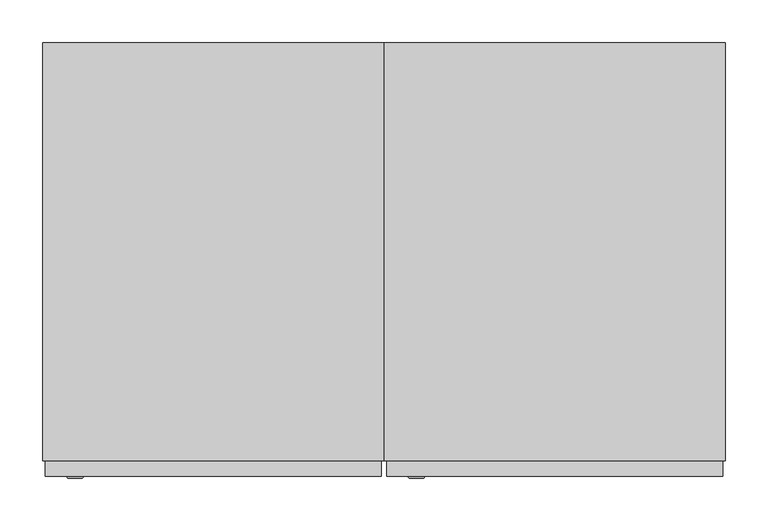
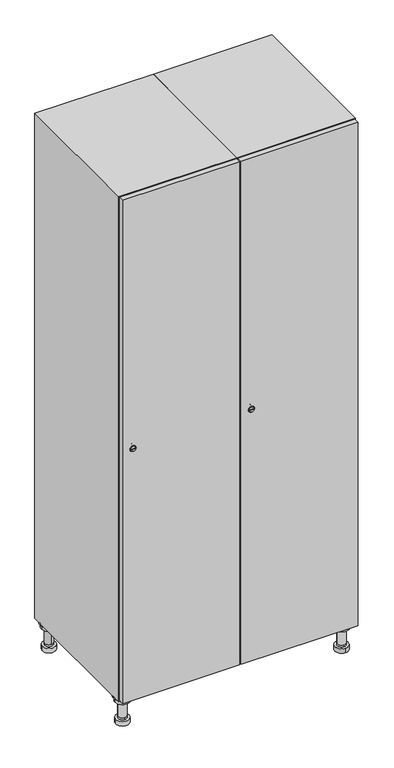
"""IFC4 building model written with IfcOpenShell, lengths in millimetres: furniture geometry."""

from ifc_helpers import new_model, si_unit, point, frame, frame_2d, origin, place, context, project, spatial, polyline, circle_curve, trimmed, segment, composite_curve, outline, extrude, faceted_brep, source, transform, mapped, element, save
from ifc_brep_helpers import plane_surface, cylinder_surface, revolved_surface, advanced_brep


def furniture_8050d8f6(model_context):
    return source(origin(), model_context, "Body", "SolidModel", [
        advanced_brep(
        [(570.0, -201.0, 22.0), (570.0, -201.5, 16.0), (570.0, -228.5, 16.0), (570.0, -229.0, 22.0), (556.0, -215.0, 22.0), (584.0, -215.0, 22.0), (570.0, -192.5, 16.0), (570.0, -237.5, 16.0), (570.0, -192.5, 0.0), (570.0, -237.5, 0.0), (584.0, -215.0, 78.0), (556.0, -215.0, 78.0), (595.0, -215.0, 78.0), (545.0, -215.0, 78.0), (600.0, -215.0, 94.0), (540.0, -215.0, 94.0), (545.0, -215.0, 94.0), (595.0, -215.0, 94.0), (600.0, -215.0, 100.0), (540.0, -215.0, 100.0)],
        [
            (0, 1),
            (1, 2, circle_curve(frame((570.0, -215.0, 16.0), z_axis=(0.0, 0.0, 1.0), x_axis=(0.0, -1.0, 0.0)), 13.5)),
            (2, 3),
            (3, 4, circle_curve(frame((570.0, -215.0, 22.0), z_axis=(0.0, 0.0, -1.0), x_axis=(0.0, -1.0, 0.0)), 14.0)),
            (4, 0, circle_curve(frame((570.0, -215.0, 22.0), z_axis=(0.0, 0.0, -1.0), x_axis=(0.0, -1.0, 0.0)), 14.0)),
            (0, 5, circle_curve(frame((570.0, -215.0, 22.0), z_axis=(0.0, 0.0, -1.0), x_axis=(0.0, 1.0, 0.0)), 14.0)),
            (5, 3, circle_curve(frame((570.0, -215.0, 22.0), z_axis=(0.0, 0.0, -1.0), x_axis=(0.0, 1.0, 0.0)), 14.0)),
            (2, 1, circle_curve(frame((570.0, -215.0, 16.0), z_axis=(0.0, 0.0, 1.0), x_axis=(0.0, 1.0, 0.0)), 13.5)),
            (6, 7, circle_curve(frame((570.0, -215.0, 16.0), z_axis=(0.0, 0.0, 1.0), x_axis=(0.0, -1.0, 0.0)), 22.5)),
            (7, 6, circle_curve(frame((570.0, -215.0, 16.0), z_axis=(0.0, 0.0, 1.0), x_axis=(0.0, -1.0, 0.0)), 22.5)),
            (8, 9, circle_curve(frame((570.0, -215.0, 0.0), z_axis=(0.0, 0.0, -1.0), x_axis=(0.0, -1.0, 0.0)), 22.5)),
            (9, 8, circle_curve(frame((570.0, -215.0, 0.0), z_axis=(0.0, 0.0, -1.0), x_axis=(0.0, -1.0, 0.0)), 22.5)),
            (6, 8),
            (9, 7),
            (5, 10),
            (10, 11, circle_curve(frame((570.0, -215.0, 78.0), z_axis=(0.0, 0.0, -1.0), x_axis=(-1.0, 0.0, 0.0)), 14.0)),
            (11, 4),
            (11, 10, circle_curve(frame((570.0, -215.0, 78.0), z_axis=(0.0, 0.0, -1.0), x_axis=(-1.0, 0.0, 0.0)), 14.0)),
            (12, 13, circle_curve(frame((570.0, -215.0, 78.0), z_axis=(0.0, 0.0, -1.0), x_axis=(-1.0, 0.0, 0.0)), 25.0)),
            (13, 12, circle_curve(frame((570.0, -215.0, 78.0), z_axis=(0.0, 0.0, -1.0), x_axis=(-1.0, 0.0, 0.0)), 25.0)),
            (14, 15, circle_curve(frame((570.0, -215.0, 94.0), z_axis=(0.0, 0.0, -1.0), x_axis=(-1.0, 0.0, 0.0)), 30.0)),
            (15, 14, circle_curve(frame((570.0, -215.0, 94.0), z_axis=(0.0, 0.0, -1.0), x_axis=(-1.0, 0.0, 0.0)), 30.0)),
            (16, 17, circle_curve(frame((570.0, -215.0, 94.0), z_axis=(0.0, 0.0, 1.0), x_axis=(-1.0, 0.0, 0.0)), 25.0)),
            (17, 16, circle_curve(frame((570.0, -215.0, 94.0), z_axis=(0.0, 0.0, 1.0), x_axis=(-1.0, 0.0, 0.0)), 25.0)),
            (18, 19, circle_curve(frame((570.0, -215.0, 100.0), z_axis=(0.0, 0.0, 1.0), x_axis=(-1.0, 0.0, 0.0)), 30.0)),
            (19, 18, circle_curve(frame((570.0, -215.0, 100.0), z_axis=(0.0, 0.0, 1.0), x_axis=(-1.0, 0.0, 0.0)), 30.0)),
            (14, 18),
            (19, 15),
            (12, 17),
            (16, 13),
        ],
        [
            revolved_surface(polyline([(570.0, -201.5, 16.0), (570.0, -201.0, 22.0)]), (570.0, -215.0, -146.0), (0.0, 0.0, 1.0)),
            plane_surface(frame((570.0, 0.0, 16.0), z_axis=(0.0, 0.0, 1.0), x_axis=(0.0, -1.0, 0.0))),
            plane_surface(frame((570.0, 0.0, 0.0), z_axis=(0.0, 0.0, -1.0), x_axis=(0.0, -1.0, 0.0))),
            cylinder_surface(frame((570.0, -215.0, 16.0), z_axis=(0.0, 0.0, 1.0), x_axis=(0.0, -1.0, 0.0)), 22.5),
            cylinder_surface(frame((570.0, -215.0, 22.0), z_axis=(0.0, 0.0, -1.0), x_axis=(-1.0, 0.0, 0.0)), 14.0),
            plane_surface(frame((570.0, 0.0, 78.0), z_axis=(0.0, 0.0, -1.0), x_axis=(0.0, -1.0, 0.0))),
            plane_surface(frame((570.0, 0.0, 94.0), z_axis=(0.0, 0.0, -1.0), x_axis=(0.0, -1.0, 0.0))),
            plane_surface(frame((570.0, 0.0, 100.0), z_axis=(0.0, 0.0, 1.0), x_axis=(0.0, -1.0, 0.0))),
            cylinder_surface(frame((570.0, -215.0, 94.0), z_axis=(0.0, 0.0, -1.0), x_axis=(-1.0, 0.0, 0.0)), 30.0),
            cylinder_surface(frame((570.0, -215.0, 78.0), z_axis=(0.0, 0.0, -1.0), x_axis=(-1.0, 0.0, 0.0)), 25.0),
        ],
        [
            (0, [[1, 2, 3, 4, 5]]),
            (0, [[-1, 6, 7, -3, 8]]),
            (1, [[9, 10], [-2, -8]]),
            (2, [[11, 12]]),
            (3, [[-9, 13, -12, 14]]),
            (3, [[-10, -14, -11, -13]]),
            (4, [[15, 16, 17, -4, -7]]),
            (4, [[-15, -6, -5, -17, 18]]),
            (5, [[19, 20], [-16, -18]]),
            (6, [[21, 22], [23, 24]]),
            (7, [[25, 26]]),
            (8, [[-21, 27, -26, 28]]),
            (8, [[-22, -28, -25, -27]]),
            (9, [[-19, 29, -23, 30]]),
            (9, [[-20, -30, -24, -29]]),
        ],
    ),
        advanced_brep(
        [(-170.0, -201.0, 22.0), (-170.0, -201.5, 16.0), (-170.0, -228.5, 16.0), (-170.0, -229.0, 22.0), (-184.0, -215.0, 22.0), (-156.0, -215.0, 22.0), (-147.5, -215.0, 0.0), (-192.5, -215.0, 0.0), (-147.5, -215.0, 16.0), (-192.5, -215.0, 16.0), (-156.0, -215.0, 78.0), (-184.0, -215.0, 78.0), (-145.0, -215.0, 78.0), (-195.0, -215.0, 78.0), (-140.0, -215.0, 94.0), (-200.0, -215.0, 94.0), (-195.0, -215.0, 94.0), (-145.0, -215.0, 94.0), (-140.0, -215.0, 100.0), (-200.0, -215.0, 100.0)],
        [
            (0, 1),
            (1, 2, circle_curve(frame((-170.0, -215.0, 16.0), z_axis=(0.0, 0.0, 1.0), x_axis=(0.0, -1.0, 0.0)), 13.5)),
            (2, 3),
            (3, 4, circle_curve(frame((-170.0, -215.0, 22.0), z_axis=(0.0, 0.0, -1.0), x_axis=(0.0, -1.0, 0.0)), 14.0)),
            (4, 0, circle_curve(frame((-170.0, -215.0, 22.0), z_axis=(0.0, 0.0, -1.0), x_axis=(0.0, -1.0, 0.0)), 14.0)),
            (0, 5, circle_curve(frame((-170.0, -215.0, 22.0), z_axis=(0.0, 0.0, -1.0), x_axis=(0.0, 1.0, 0.0)), 14.0)),
            (5, 3, circle_curve(frame((-170.0, -215.0, 22.0), z_axis=(0.0, 0.0, -1.0), x_axis=(0.0, 1.0, 0.0)), 14.0)),
            (2, 1, circle_curve(frame((-170.0, -215.0, 16.0), z_axis=(0.0, 0.0, 1.0), x_axis=(0.0, 1.0, 0.0)), 13.5)),
            (6, 7, circle_curve(frame((-170.0, -215.0, 0.0), z_axis=(0.0, 0.0, -1.0), x_axis=(-1.0, 0.0, 0.0)), 22.5)),
            (7, 6, circle_curve(frame((-170.0, -215.0, 0.0), z_axis=(0.0, 0.0, -1.0), x_axis=(-1.0, 0.0, 0.0)), 22.5)),
            (8, 9, circle_curve(frame((-170.0, -215.0, 16.0), z_axis=(0.0, 0.0, 1.0), x_axis=(-1.0, 0.0, 0.0)), 22.5)),
            (9, 8, circle_curve(frame((-170.0, -215.0, 16.0), z_axis=(0.0, 0.0, 1.0), x_axis=(-1.0, 0.0, 0.0)), 22.5)),
            (6, 8),
            (9, 7),
            (5, 10),
            (10, 11, circle_curve(frame((-170.0, -215.0, 78.0), z_axis=(0.0, 0.0, -1.0), x_axis=(-1.0, 0.0, 0.0)), 14.0)),
            (11, 4),
            (11, 10, circle_curve(frame((-170.0, -215.0, 78.0), z_axis=(0.0, 0.0, -1.0), x_axis=(-1.0, 0.0, 0.0)), 14.0)),
            (12, 13, circle_curve(frame((-170.0, -215.0, 78.0), z_axis=(0.0, 0.0, -1.0), x_axis=(-1.0, 0.0, 0.0)), 25.0)),
            (13, 12, circle_curve(frame((-170.0, -215.0, 78.0), z_axis=(0.0, 0.0, -1.0), x_axis=(-1.0, 0.0, 0.0)), 25.0)),
            (14, 15, circle_curve(frame((-170.0, -215.0, 94.0), z_axis=(0.0, 0.0, -1.0), x_axis=(-1.0, 0.0, 0.0)), 30.0)),
            (15, 14, circle_curve(frame((-170.0, -215.0, 94.0), z_axis=(0.0, 0.0, -1.0), x_axis=(-1.0, 0.0, 0.0)), 30.0)),
            (16, 17, circle_curve(frame((-170.0, -215.0, 94.0), z_axis=(0.0, 0.0, 1.0), x_axis=(-1.0, 0.0, 0.0)), 25.0)),
            (17, 16, circle_curve(frame((-170.0, -215.0, 94.0), z_axis=(0.0, 0.0, 1.0), x_axis=(-1.0, 0.0, 0.0)), 25.0)),
            (18, 19, circle_curve(frame((-170.0, -215.0, 100.0), z_axis=(0.0, 0.0, 1.0), x_axis=(-1.0, 0.0, 0.0)), 30.0)),
            (19, 18, circle_curve(frame((-170.0, -215.0, 100.0), z_axis=(0.0, 0.0, 1.0), x_axis=(-1.0, 0.0, 0.0)), 30.0)),
            (14, 18),
            (19, 15),
            (12, 17),
            (16, 13),
        ],
        [
            revolved_surface(polyline([(-170.0, -201.5, 16.0), (-170.0, -201.0, 22.0)]), (-170.0, -215.0, -146.0), (0.0, 0.0, 1.0)),
            plane_surface(frame((-170.0, 0.0, 0.0), z_axis=(0.0, 0.0, -1.0), x_axis=(0.0, -1.0, 0.0))),
            plane_surface(frame((-170.0, 0.0, 16.0), z_axis=(0.0, 0.0, 1.0), x_axis=(0.0, -1.0, 0.0))),
            cylinder_surface(frame((-170.0, -215.0, 0.0), z_axis=(0.0, 0.0, -1.0), x_axis=(-1.0, 0.0, 0.0)), 22.5),
            cylinder_surface(frame((-170.0, -215.0, 22.0), z_axis=(0.0, 0.0, -1.0), x_axis=(-1.0, 0.0, 0.0)), 14.0),
            plane_surface(frame((-170.0, 0.0, 78.0), z_axis=(0.0, 0.0, -1.0), x_axis=(0.0, -1.0, 0.0))),
            plane_surface(frame((-170.0, 0.0, 94.0), z_axis=(0.0, 0.0, -1.0), x_axis=(0.0, -1.0, 0.0))),
            plane_surface(frame((-170.0, 0.0, 100.0), z_axis=(0.0, 0.0, 1.0), x_axis=(0.0, -1.0, 0.0))),
            cylinder_surface(frame((-170.0, -215.0, 94.0), z_axis=(0.0, 0.0, -1.0), x_axis=(-1.0, 0.0, 0.0)), 30.0),
            cylinder_surface(frame((-170.0, -215.0, 78.0), z_axis=(0.0, 0.0, -1.0), x_axis=(-1.0, 0.0, 0.0)), 25.0),
        ],
        [
            (0, [[1, 2, 3, 4, 5]]),
            (0, [[-1, 6, 7, -3, 8]]),
            (1, [[9, 10]]),
            (2, [[11, 12], [-2, -8]]),
            (3, [[-9, 13, -12, 14]]),
            (3, [[-10, -14, -11, -13]]),
            (4, [[15, 16, 17, -4, -7]]),
            (4, [[-15, -6, -5, -17, 18]]),
            (5, [[19, 20], [-16, -18]]),
            (6, [[21, 22], [23, 24]]),
            (7, [[25, 26]]),
            (8, [[-21, 27, -26, 28]]),
            (8, [[-22, -28, -25, -27]]),
            (9, [[-19, 29, -23, 30]]),
            (9, [[-20, -30, -24, -29]]),
        ],
    ),
        advanced_brep(
        [(583.5, 215.0, 16.0), (584.0, 215.0, 22.0), (556.0, 215.0, 22.0), (556.5, 215.0, 16.0), (592.5, 215.0, 0.0), (547.5, 215.0, 0.0), (592.5, 215.0, 16.0), (547.5, 215.0, 16.0), (584.0, 215.0, 78.0), (556.0, 215.0, 78.0), (595.0, 215.0, 78.0), (545.0, 215.0, 78.0), (600.0, 215.0, 94.0), (540.0, 215.0, 94.0), (545.0, 215.0, 94.0), (595.0, 215.0, 94.0), (600.0, 215.0, 100.0), (540.0, 215.0, 100.0)],
        [
            (0, 1),
            (1, 2, circle_curve(frame((570.0, 215.0, 22.0), z_axis=(0.0, 0.0, -1.0), x_axis=(-1.0, 0.0, 0.0)), 14.0)),
            (2, 3),
            (3, 0, circle_curve(frame((570.0, 215.0, 16.0), z_axis=(0.0, 0.0, 1.0), x_axis=(-1.0, 0.0, 0.0)), 13.5)),
            (0, 3, circle_curve(frame((570.0, 215.0, 16.0), z_axis=(0.0, 0.0, 1.0), x_axis=(1.0, 0.0, 0.0)), 13.5)),
            (2, 1, circle_curve(frame((570.0, 215.0, 22.0), z_axis=(0.0, 0.0, -1.0), x_axis=(1.0, 0.0, 0.0)), 14.0)),
            (4, 5, circle_curve(frame((570.0, 215.0, 0.0), z_axis=(0.0, 0.0, -1.0), x_axis=(-1.0, 0.0, 0.0)), 22.5)),
            (5, 4, circle_curve(frame((570.0, 215.0, 0.0), z_axis=(0.0, 0.0, -1.0), x_axis=(-1.0, 0.0, 0.0)), 22.5)),
            (6, 7, circle_curve(frame((570.0, 215.0, 16.0), z_axis=(0.0, 0.0, 1.0), x_axis=(-1.0, 0.0, 0.0)), 22.5)),
            (7, 6, circle_curve(frame((570.0, 215.0, 16.0), z_axis=(0.0, 0.0, 1.0), x_axis=(-1.0, 0.0, 0.0)), 22.5)),
            (4, 6),
            (7, 5),
            (1, 8),
            (8, 9, circle_curve(frame((570.0, 215.0, 78.0), z_axis=(0.0, 0.0, -1.0), x_axis=(-1.0, 0.0, 0.0)), 14.0)),
            (9, 2),
            (9, 8, circle_curve(frame((570.0, 215.0, 78.0), z_axis=(0.0, 0.0, -1.0), x_axis=(-1.0, 0.0, 0.0)), 14.0)),
            (10, 11, circle_curve(frame((570.0, 215.0, 78.0), z_axis=(0.0, 0.0, -1.0), x_axis=(-1.0, 0.0, 0.0)), 25.0)),
            (11, 10, circle_curve(frame((570.0, 215.0, 78.0), z_axis=(0.0, 0.0, -1.0), x_axis=(-1.0, 0.0, 0.0)), 25.0)),
            (12, 13, circle_curve(frame((570.0, 215.0, 94.0), z_axis=(0.0, 0.0, -1.0), x_axis=(-1.0, 0.0, 0.0)), 30.0)),
            (13, 12, circle_curve(frame((570.0, 215.0, 94.0), z_axis=(0.0, 0.0, -1.0), x_axis=(-1.0, 0.0, 0.0)), 30.0)),
            (14, 15, circle_curve(frame((570.0, 215.0, 94.0), z_axis=(0.0, 0.0, 1.0), x_axis=(-1.0, 0.0, 0.0)), 25.0)),
            (15, 14, circle_curve(frame((570.0, 215.0, 94.0), z_axis=(0.0, 0.0, 1.0), x_axis=(-1.0, 0.0, 0.0)), 25.0)),
            (16, 17, circle_curve(frame((570.0, 215.0, 100.0), z_axis=(0.0, 0.0, 1.0), x_axis=(-1.0, 0.0, 0.0)), 30.0)),
            (17, 16, circle_curve(frame((570.0, 215.0, 100.0), z_axis=(0.0, 0.0, 1.0), x_axis=(-1.0, 0.0, 0.0)), 30.0)),
            (12, 16),
            (17, 13),
            (10, 15),
            (14, 11),
        ],
        [
            revolved_surface(polyline([(583.5, 215.0, 16.0), (584.0, 215.0, 22.0)]), (570.0, 215.0, -146.0), (0.0, 0.0, 1.0)),
            plane_surface(frame((570.0, 0.0, 0.0), z_axis=(0.0, 0.0, -1.0), x_axis=(0.0, -1.0, 0.0))),
            plane_surface(frame((570.0, 0.0, 16.0), z_axis=(0.0, 0.0, 1.0), x_axis=(0.0, -1.0, 0.0))),
            cylinder_surface(frame((570.0, 215.0, 0.0), z_axis=(0.0, 0.0, -1.0), x_axis=(-1.0, 0.0, 0.0)), 22.5),
            cylinder_surface(frame((570.0, 215.0, 22.0), z_axis=(0.0, 0.0, -1.0), x_axis=(-1.0, 0.0, 0.0)), 14.0),
            plane_surface(frame((570.0, 0.0, 78.0), z_axis=(0.0, 0.0, -1.0), x_axis=(0.0, -1.0, 0.0))),
            plane_surface(frame((570.0, 0.0, 94.0), z_axis=(0.0, 0.0, -1.0), x_axis=(0.0, -1.0, 0.0))),
            plane_surface(frame((570.0, 0.0, 100.0), z_axis=(0.0, 0.0, 1.0), x_axis=(0.0, -1.0, 0.0))),
            cylinder_surface(frame((570.0, 215.0, 94.0), z_axis=(0.0, 0.0, -1.0), x_axis=(-1.0, 0.0, 0.0)), 30.0),
            cylinder_surface(frame((570.0, 215.0, 78.0), z_axis=(0.0, 0.0, -1.0), x_axis=(-1.0, 0.0, 0.0)), 25.0),
        ],
        [
            (0, [[1, 2, 3, 4]]),
            (0, [[-1, 5, -3, 6]]),
            (1, [[7, 8]]),
            (2, [[9, 10], [-4, -5]]),
            (3, [[-7, 11, -10, 12]]),
            (3, [[-8, -12, -9, -11]]),
            (4, [[13, 14, 15, -2]]),
            (4, [[-13, -6, -15, 16]]),
            (5, [[17, 18], [-14, -16]]),
            (6, [[19, 20], [21, 22]]),
            (7, [[23, 24]]),
            (8, [[-19, 25, -24, 26]]),
            (8, [[-20, -26, -23, -25]]),
            (9, [[-17, 27, -21, 28]]),
            (9, [[-18, -28, -22, -27]]),
        ],
    ),
        advanced_brep(
        [(-156.5, 215.0, 16.0), (-156.0, 215.0, 22.0), (-170.0, 201.0, 22.0), (-184.0, 215.0, 22.0), (-183.5, 215.0, 16.0), (-170.0, 229.0, 22.0), (-147.5, 215.0, 0.0), (-192.5, 215.0, 0.0), (-147.5, 215.0, 16.0), (-192.5, 215.0, 16.0), (-170.0, 229.0, 78.0), (-170.0, 201.0, 78.0), (-145.0, 215.0, 78.0), (-195.0, 215.0, 78.0), (-140.0, 215.0, 94.0), (-200.0, 215.0, 94.0), (-195.0, 215.0, 94.0), (-145.0, 215.0, 94.0), (-140.0, 215.0, 100.0), (-200.0, 215.0, 100.0)],
        [
            (0, 1),
            (1, 2, circle_curve(frame((-170.0, 215.0, 22.0), z_axis=(0.0, 0.0, -1.0), x_axis=(-1.0, 0.0, 0.0)), 14.0)),
            (2, 3, circle_curve(frame((-170.0, 215.0, 22.0), z_axis=(0.0, 0.0, -1.0), x_axis=(-1.0, 0.0, 0.0)), 14.0)),
            (3, 4),
            (4, 0, circle_curve(frame((-170.0, 215.0, 16.0), z_axis=(0.0, 0.0, 1.0), x_axis=(-1.0, 0.0, 0.0)), 13.5)),
            (0, 4, circle_curve(frame((-170.0, 215.0, 16.0), z_axis=(0.0, 0.0, 1.0), x_axis=(1.0, 0.0, 0.0)), 13.5)),
            (3, 5, circle_curve(frame((-170.0, 215.0, 22.0), z_axis=(0.0, 0.0, -1.0), x_axis=(1.0, 0.0, 0.0)), 14.0)),
            (5, 1, circle_curve(frame((-170.0, 215.0, 22.0), z_axis=(0.0, 0.0, -1.0), x_axis=(1.0, 0.0, 0.0)), 14.0)),
            (6, 7, circle_curve(frame((-170.0, 215.0, 0.0), z_axis=(0.0, 0.0, -1.0), x_axis=(-1.0, 0.0, 0.0)), 22.5)),
            (7, 6, circle_curve(frame((-170.0, 215.0, 0.0), z_axis=(0.0, 0.0, -1.0), x_axis=(-1.0, 0.0, 0.0)), 22.5)),
            (8, 9, circle_curve(frame((-170.0, 215.0, 16.0), z_axis=(0.0, 0.0, 1.0), x_axis=(-1.0, 0.0, 0.0)), 22.5)),
            (9, 8, circle_curve(frame((-170.0, 215.0, 16.0), z_axis=(0.0, 0.0, 1.0), x_axis=(-1.0, 0.0, 0.0)), 22.5)),
            (6, 8),
            (9, 7),
            (10, 5),
            (2, 11),
            (11, 10, circle_curve(frame((-170.0, 215.0, 78.0), z_axis=(0.0, 0.0, -1.0), x_axis=(0.0, -1.0, 0.0)), 14.0)),
            (10, 11, circle_curve(frame((-170.0, 215.0, 78.0), z_axis=(0.0, 0.0, -1.0), x_axis=(0.0, -1.0, 0.0)), 14.0)),
            (12, 13, circle_curve(frame((-170.0, 215.0, 78.0), z_axis=(0.0, 0.0, -1.0), x_axis=(-1.0, 0.0, 0.0)), 25.0)),
            (13, 12, circle_curve(frame((-170.0, 215.0, 78.0), z_axis=(0.0, 0.0, -1.0), x_axis=(-1.0, 0.0, 0.0)), 25.0)),
            (14, 15, circle_curve(frame((-170.0, 215.0, 94.0), z_axis=(0.0, 0.0, -1.0), x_axis=(-1.0, 0.0, 0.0)), 30.0)),
            (15, 14, circle_curve(frame((-170.0, 215.0, 94.0), z_axis=(0.0, 0.0, -1.0), x_axis=(-1.0, 0.0, 0.0)), 30.0)),
            (16, 17, circle_curve(frame((-170.0, 215.0, 94.0), z_axis=(0.0, 0.0, 1.0), x_axis=(-1.0, 0.0, 0.0)), 25.0)),
            (17, 16, circle_curve(frame((-170.0, 215.0, 94.0), z_axis=(0.0, 0.0, 1.0), x_axis=(-1.0, 0.0, 0.0)), 25.0)),
            (18, 19, circle_curve(frame((-170.0, 215.0, 100.0), z_axis=(0.0, 0.0, 1.0), x_axis=(-1.0, 0.0, 0.0)), 30.0)),
            (19, 18, circle_curve(frame((-170.0, 215.0, 100.0), z_axis=(0.0, 0.0, 1.0), x_axis=(-1.0, 0.0, 0.0)), 30.0)),
            (14, 18),
            (19, 15),
            (12, 17),
            (16, 13),
        ],
        [
            revolved_surface(polyline([(-156.5, 215.0, 16.0), (-156.0, 215.0, 22.0)]), (-170.0, 215.0, -146.0), (0.0, 0.0, 1.0)),
            plane_surface(frame((-170.0, 0.0, 0.0), z_axis=(0.0, 0.0, -1.0), x_axis=(0.0, -1.0, 0.0))),
            plane_surface(frame((-170.0, 0.0, 16.0), z_axis=(0.0, 0.0, 1.0), x_axis=(0.0, -1.0, 0.0))),
            cylinder_surface(frame((-170.0, 215.0, 0.0), z_axis=(0.0, 0.0, -1.0), x_axis=(-1.0, 0.0, 0.0)), 22.5),
            cylinder_surface(frame((-170.0, 215.0, 78.0), z_axis=(0.0, 0.0, 1.0), x_axis=(0.0, -1.0, 0.0)), 14.0),
            plane_surface(frame((-170.0, 0.0, 78.0), z_axis=(0.0, 0.0, -1.0), x_axis=(0.0, -1.0, 0.0))),
            plane_surface(frame((-170.0, 0.0, 94.0), z_axis=(0.0, 0.0, -1.0), x_axis=(0.0, -1.0, 0.0))),
            plane_surface(frame((-170.0, 0.0, 100.0), z_axis=(0.0, 0.0, 1.0), x_axis=(0.0, -1.0, 0.0))),
            cylinder_surface(frame((-170.0, 215.0, 94.0), z_axis=(0.0, 0.0, -1.0), x_axis=(-1.0, 0.0, 0.0)), 30.0),
            cylinder_surface(frame((-170.0, 215.0, 78.0), z_axis=(0.0, 0.0, -1.0), x_axis=(-1.0, 0.0, 0.0)), 25.0),
        ],
        [
            (0, [[1, 2, 3, 4, 5]]),
            (0, [[-1, 6, -4, 7, 8]]),
            (1, [[9, 10]]),
            (2, [[11, 12], [-5, -6]]),
            (3, [[-9, 13, -12, 14]]),
            (3, [[-10, -14, -11, -13]]),
            (4, [[15, -7, -3, 16, 17]]),
            (4, [[-15, 18, -16, -2, -8]]),
            (5, [[19, 20], [-17, -18]]),
            (6, [[21, 22], [23, 24]]),
            (7, [[25, 26]]),
            (8, [[-21, 27, -26, 28]]),
            (8, [[-22, -28, -25, -27]]),
            (9, [[-19, 29, -23, 30]]),
            (9, [[-20, -30, -24, -29]]),
        ],
    ),
        extrude(outline(composite_curve([segment(trimmed(circle_curve(frame_2d((1000.0, 211.2010534)), 7.0), [point((1007.0, 211.2010534))], [point((993.0, 211.2010534))], False, "CARTESIAN"), True, "CONTINUOUS"), segment(polyline([(993.0, 211.2010534), (993.0, 239.2010534)]), True, "CONTINUOUS"), segment(trimmed(circle_curve(frame_2d((1000.0, 239.2010534)), 7.0), [point((993.0, 239.2010534))], [point((1007.0, 239.2010534))], False, "CARTESIAN"), True, "CONTINUOUS"), segment(polyline([(1007.0, 239.2010534), (1007.0, 211.2010534)]), True, "CONTINUOUS")], self_intersect=False)), frame((0.0, -245.0, 0.0), z_axis=(0.0, 1.0, 0.0), x_axis=(0.0, 0.0, 1.0)), (0.0, 0.0, 1.0), 2.0),
        advanced_brep(
        [(246.5, -265.2, 1000.0), (229.5, -265.2, 1000.0), (233.0, -265.2, 998.75), (233.0, -265.2, 1001.25), (243.0, -265.2, 1001.25), (243.0, -265.2, 998.75), (248.5, -263.0, 1000.0), (227.5, -263.0, 1000.0), (233.0, -263.0, 1001.25), (233.0, -263.0, 998.75), (243.0, -263.0, 998.75), (243.0, -263.0, 1001.25)],
        [
            (0, 1, circle_curve(frame((238.0, -265.2, 1000.0), z_axis=(0.0, -1.0, 0.0), x_axis=(1.0, 0.0, 0.0)), 8.5)),
            (1, 0, circle_curve(frame((238.0, -265.2, 1000.0), z_axis=(0.0, -1.0, 0.0), x_axis=(-1.0, 0.0, 0.0)), 8.5)),
            (2, 3),
            (3, 4),
            (4, 5),
            (5, 2),
            (6, 7, circle_curve(frame((238.0, -263.0, 1000.0), z_axis=(0.0, 1.0, 0.0), x_axis=(-1.0, 0.0, 0.0)), 10.5)),
            (7, 6, circle_curve(frame((238.0, -263.0, 1000.0), z_axis=(0.0, 1.0, 0.0), x_axis=(1.0, 0.0, 0.0)), 10.5)),
            (8, 9),
            (9, 10),
            (10, 11),
            (11, 8),
            (0, 6),
            (7, 1),
            (8, 3),
            (2, 9),
            (11, 4),
            (10, 5),
        ],
        [
            plane_surface(frame((238.0, -265.2, 1000.0), z_axis=(0.0, -1.0, 0.0), x_axis=(0.0, 0.0, 1.0))),
            plane_surface(frame((238.0, -263.0, 1000.0), z_axis=(0.0, 1.0, 0.0), x_axis=(0.0, 0.0, 1.0))),
            revolved_surface(polyline([(246.5, -265.2, 1000.0), (248.5, -263.0, 1000.0)]), (238.0, -274.55, 1000.0), (0.0, 1.0, 0.0)),
            revolved_surface(polyline([(229.5, -265.2, 1000.0), (227.5, -263.0, 1000.0)]), (238.0, -274.55, 1000.0), (0.0, 1.0, 0.0)),
            plane_surface(frame((233.0, -263.0, 998.75), z_axis=(1.0, 0.0, 0.0), x_axis=(0.0, -1.0, 0.0))),
            plane_surface(frame((233.0, -263.0, 1001.25), z_axis=(0.0, 0.0, -1.0), x_axis=(0.0, -1.0, 0.0))),
            plane_surface(frame((243.0, -263.0, 1001.25), z_axis=(-1.0, 0.0, 0.0), x_axis=(0.0, -1.0, 0.0))),
            plane_surface(frame((243.0, -263.0, 998.75), z_axis=(0.0, 0.0, 1.0), x_axis=(0.0, -1.0, 0.0))),
        ],
        [
            (0, [[1, 2], [3, 4, 5, 6]]),
            (1, [[7, 8], [9, 10, 11, 12]]),
            (2, [[-1, 13, -8, 14]]),
            (3, [[-2, -14, -7, -13]]),
            (4, [[15, -3, 16, -9]]),
            (5, [[-15, -12, 17, -4]]),
            (6, [[-17, -11, 18, -5]]),
            (7, [[-16, -6, -18, -10]]),
        ],
    ),
        extrude(outline(polyline([(597.0, -245.0), (597.0, -263.0), (203.0, -263.0), (203.0, -245.0), (597.0, -245.0)])), frame((0.0, 0.0, 103.0), z_axis=(0.0, 0.0, 1.0), x_axis=(1.0, 0.0, 0.0)), (0.0, 0.0, 1.0), 1794.0),
        faceted_brep([(600.0, -245.0, 100.0), (600.0, -245.0, 1900.0), (200.0, -245.0, 1900.0), (200.0, -245.0, 100.0), (582.0, -245.0, 1882.0), (582.0, -245.0, 118.0), (218.0, -245.0, 118.0), (218.0, -245.0, 1882.0), (600.0, 245.0, 100.0), (200.0, 245.0, 100.0), (600.0, 245.0, 1900.0), (200.0, 245.0, 1900.0), (582.0, 227.0, 1882.0), (582.0, 227.0, 118.0), (200.0, 245.0, 1882.0), (218.0, 227.0, 1882.0), (218.0, 227.0, 118.0)], [[[0, 1, 2, 3], [4, 5, 6, 7]], [[8, 0, 3, 9]], [[1, 0, 8, 10]], [[1, 10, 11, 2]], [[4, 12, 13, 5]], [[9, 3, 2, 11, 14]], [[10, 8, 9, 14, 11]], [[12, 15, 16, 13]], [[15, 7, 6, 16]], [[4, 7, 15, 12]], [[6, 5, 13, 16]]]),
        extrude(outline(composite_curve([segment(trimmed(circle_curve(frame_2d((1000.0, -188.7989466)), 7.0), [point((1007.0, -188.7989466))], [point((993.0, -188.7989466))], False, "CARTESIAN"), True, "CONTINUOUS"), segment(polyline([(993.0, -188.7989466), (993.0, -160.7989466)]), True, "CONTINUOUS"), segment(trimmed(circle_curve(frame_2d((1000.0, -160.7989466)), 7.0), [point((993.0, -160.7989466))], [point((1007.0, -160.7989466))], False, "CARTESIAN"), True, "CONTINUOUS"), segment(polyline([(1007.0, -160.7989466), (1007.0, -188.7989466)]), True, "CONTINUOUS")], self_intersect=False)), frame((0.0, -245.0, 0.0), z_axis=(0.0, 1.0, 0.0), x_axis=(0.0, 0.0, 1.0)), (0.0, 0.0, 1.0), 2.0),
        advanced_brep(
        [(-153.5, -265.2, 1000.0), (-170.5, -265.2, 1000.0), (-167.0, -265.2, 998.75), (-167.0, -265.2, 1001.25), (-157.0, -265.2, 1001.25), (-157.0, -265.2, 998.75), (-151.5, -263.0, 1000.0), (-172.5, -263.0, 1000.0), (-167.0, -263.0, 1001.25), (-167.0, -263.0, 998.75), (-157.0, -263.0, 998.75), (-157.0, -263.0, 1001.25)],
        [
            (0, 1, circle_curve(frame((-162.0, -265.2, 1000.0), z_axis=(0.0, -1.0, 0.0), x_axis=(1.0, 0.0, 0.0)), 8.5)),
            (1, 0, circle_curve(frame((-162.0, -265.2, 1000.0), z_axis=(0.0, -1.0, 0.0), x_axis=(-1.0, 0.0, 0.0)), 8.5)),
            (2, 3),
            (3, 4),
            (4, 5),
            (5, 2),
            (6, 7, circle_curve(frame((-162.0, -263.0, 1000.0), z_axis=(0.0, 1.0, 0.0), x_axis=(-1.0, 0.0, 0.0)), 10.5)),
            (7, 6, circle_curve(frame((-162.0, -263.0, 1000.0), z_axis=(0.0, 1.0, 0.0), x_axis=(1.0, 0.0, 0.0)), 10.5)),
            (8, 9),
            (9, 10),
            (10, 11),
            (11, 8),
            (0, 6),
            (7, 1),
            (8, 3),
            (2, 9),
            (11, 4),
            (10, 5),
        ],
        [
            plane_surface(frame((-162.0, -265.2, 1000.0), z_axis=(0.0, -1.0, 0.0), x_axis=(0.0, 0.0, 1.0))),
            plane_surface(frame((-162.0, -263.0, 1000.0), z_axis=(0.0, 1.0, 0.0), x_axis=(0.0, 0.0, 1.0))),
            revolved_surface(polyline([(-153.5, -265.2, 1000.0), (-151.5, -263.0, 1000.0)]), (-162.0, -274.55, 1000.0), (0.0, 1.0, 0.0)),
            revolved_surface(polyline([(-170.5, -265.2, 1000.0), (-172.5, -263.0, 1000.0)]), (-162.0, -274.55, 1000.0), (0.0, 1.0, 0.0)),
            plane_surface(frame((-167.0, -263.0, 998.75), z_axis=(1.0, 0.0, 0.0), x_axis=(0.0, -1.0, 0.0))),
            plane_surface(frame((-167.0, -263.0, 1001.25), z_axis=(0.0, 0.0, -1.0), x_axis=(0.0, -1.0, 0.0))),
            plane_surface(frame((-157.0, -263.0, 1001.25), z_axis=(-1.0, 0.0, 0.0), x_axis=(0.0, -1.0, 0.0))),
            plane_surface(frame((-157.0, -263.0, 998.75), z_axis=(0.0, 0.0, 1.0), x_axis=(0.0, -1.0, 0.0))),
        ],
        [
            (0, [[1, 2], [3, 4, 5, 6]]),
            (1, [[7, 8], [9, 10, 11, 12]]),
            (2, [[-1, 13, -8, 14]]),
            (3, [[-2, -14, -7, -13]]),
            (4, [[15, -3, 16, -9]]),
            (5, [[-15, -12, 17, -4]]),
            (6, [[-17, -11, 18, -5]]),
            (7, [[-16, -6, -18, -10]]),
        ],
    ),
        extrude(outline(polyline([(197.0, -245.0), (197.0, -263.0), (-197.0, -263.0), (-197.0, -245.0), (197.0, -245.0)])), frame((0.0, 0.0, 103.0), z_axis=(0.0, 0.0, 1.0), x_axis=(1.0, 0.0, 0.0)), (0.0, 0.0, 1.0), 1794.0),
        faceted_brep([(200.0, -245.0, 100.0), (200.0, -245.0, 1900.0), (-200.0, -245.0, 1900.0), (-200.0, -245.0, 100.0), (182.0, -245.0, 1882.0), (182.0, -245.0, 118.0), (-182.0, -245.0, 118.0), (-182.0, -245.0, 1882.0), (200.0, 245.0, 100.0), (-200.0, 245.0, 100.0), (200.0, 245.0, 1900.0), (-200.0, 245.0, 1900.0), (182.0, 227.0, 1882.0), (182.0, 227.0, 118.0), (-200.0, 245.0, 1882.0), (-182.0, 227.0, 1882.0), (-182.0, 227.0, 118.0)], [[[0, 1, 2, 3], [4, 5, 6, 7]], [[8, 0, 3, 9]], [[1, 0, 8, 10]], [[1, 10, 11, 2]], [[4, 12, 13, 5]], [[9, 3, 2, 11, 14]], [[10, 8, 9, 14, 11]], [[12, 15, 16, 13]], [[15, 7, 6, 16]], [[4, 7, 15, 12]], [[6, 5, 13, 16]]]),
    ])


if __name__ == "__main__":
    model = new_model("IFC4")
    model_context = context("Model", 3, world=origin())
    ifc_project = project(units=[si_unit("LENGTHUNIT", "METRE", prefix="MILLI")], contexts=[model_context])
    site = spatial("IfcSite", under=ifc_project)
    building = spatial("IfcBuilding", under=site)
    placement = place(None, origin())
    furniture_shape = furniture_8050d8f6(model_context)
    element("IfcFurniture", 1, at=placement, inside=building, context=model_context, shape_type="MappedRepresentation", body=[
        mapped(furniture_shape, transform((0.0, 0.0, 0.0), x_axis=(1.0, 0.0, 0.0), y_axis=(0.0, 1.0, 0.0), z_axis=(0.0, 0.0, 1.0))),
    ])
    save(model, "model.ifc")
